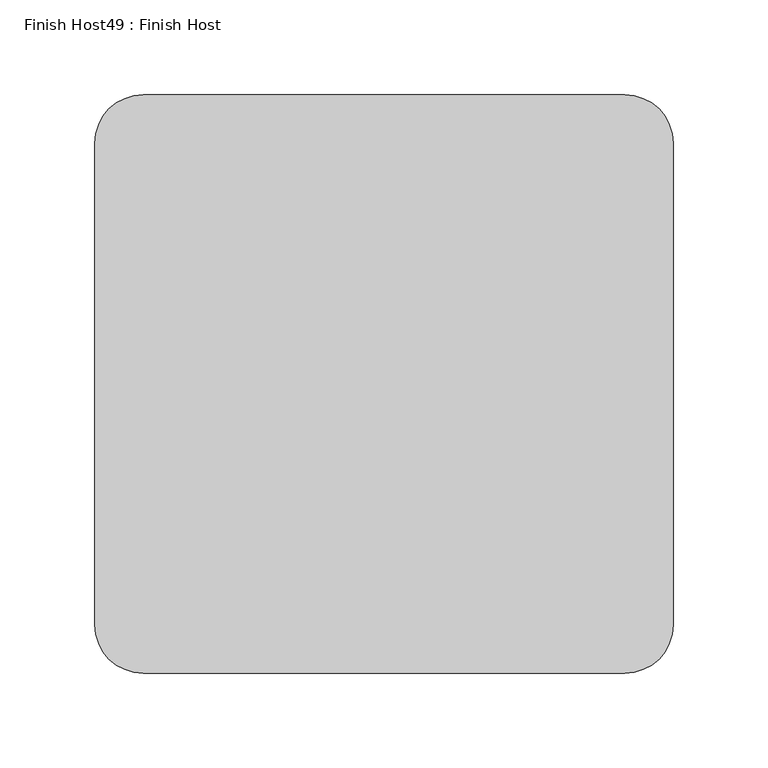
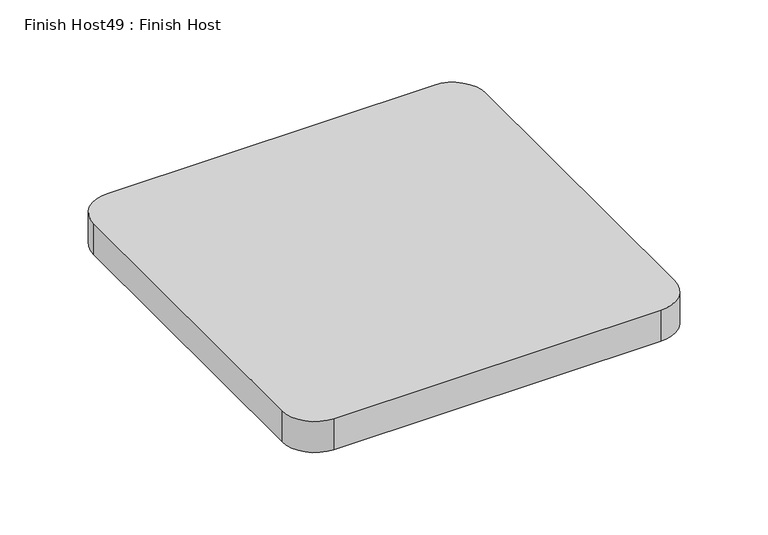
"""IFC4 building model written with IfcOpenShell, lengths in millimetres: proxy geometry, Finish Host49 : Finish Host."""

from ifc_helpers import new_model, si_unit, point, frame_2d, origin, origin_with_axes, place, context, project, spatial, polyline, circle_curve, trimmed, segment, composite_curve, outline, extrude, source, transform, mapped, element, save


def finish_host49_finish_host_73e4c052(model_context):
    return source(origin(), model_context, "Body", "SweptSolid", [
        extrude(outline(composite_curve([segment(polyline([(6118.6934426, 1206.8122951), (6118.6934426, 1460.8122951)]), True, "CONTINUOUS"), segment(trimmed(circle_curve(frame_2d((6144.0934426, 1460.8122951)), 25.4), [point((6118.6934426, 1460.8122951))], [point((6144.0934426, 1486.2122951))], False, "CARTESIAN"), True, "CONTINUOUS"), segment(polyline([(6144.0934426, 1486.2122951), (6398.0934426, 1486.2122951)]), True, "CONTINUOUS"), segment(trimmed(circle_curve(frame_2d((6398.0934426, 1460.8122951)), 25.4), [point((6398.0934426, 1486.2122951))], [point((6423.4934426, 1460.8122951))], False, "CARTESIAN"), True, "CONTINUOUS"), segment(polyline([(6423.4934426, 1460.8122951), (6423.4934426, 1206.8122951)]), True, "CONTINUOUS"), segment(trimmed(circle_curve(frame_2d((6398.0934426, 1206.8122951)), 25.4), [point((6423.4934426, 1206.8122951))], [point((6398.0934426, 1181.4122951))], False, "CARTESIAN"), True, "CONTINUOUS"), segment(polyline([(6398.0934426, 1181.4122951), (6144.0934426, 1181.4122951)]), True, "CONTINUOUS"), segment(trimmed(circle_curve(frame_2d((6144.0934426, 1206.8122951)), 25.4), [point((6144.0934426, 1181.4122951))], [point((6118.6934426, 1206.8122951))], False, "CARTESIAN"), True, "CONTINUOUS")], self_intersect=False)), origin_with_axes(), (0.0, 0.0, 1.0), 25.4),
    ])


if __name__ == "__main__":
    model = new_model("IFC4")
    model_context = context("Model", 3, world=origin())
    ifc_project = project(units=[si_unit("LENGTHUNIT", "METRE", prefix="MILLI")], contexts=[model_context])
    site = spatial("IfcSite", under=ifc_project)
    building = spatial("IfcBuilding", under=site)
    placement = place(None, origin())
    finish_host49_finish_host_shape = finish_host49_finish_host_73e4c052(model_context)
    element("IfcBuildingElementProxy", 1, Name="Finish Host49 : Finish Host", ObjectType="Finish Host49 : Finish Host", at=placement, inside=building, context=model_context, shape_type="MappedRepresentation", body=[
        mapped(finish_host49_finish_host_shape, transform((0.0, 0.0, 0.0), x_axis=(1.0, 0.0, 0.0), y_axis=(0.0, 1.0, 0.0), z_axis=(0.0, 0.0, 1.0))),
    ])
    save(model, "model.ifc")
